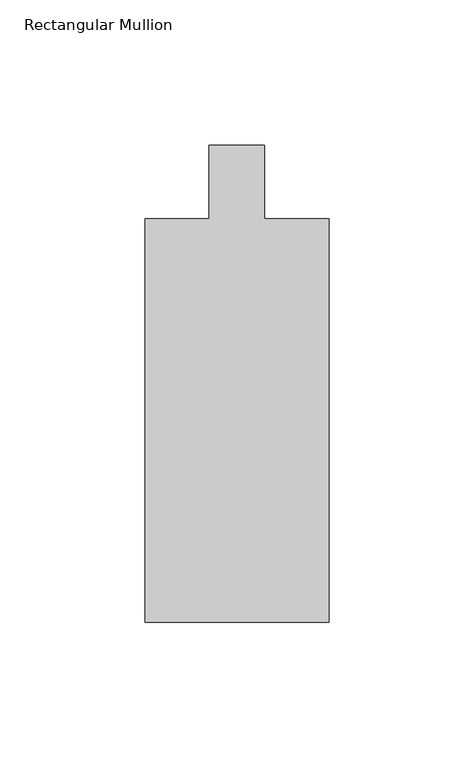
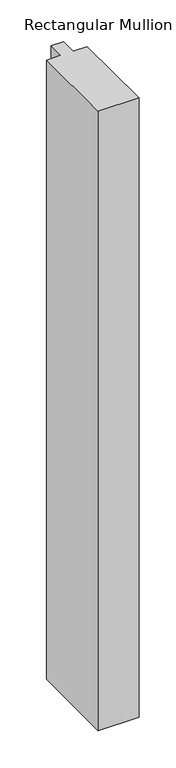
"""IFC4 building model written with IfcOpenShell, lengths in millimetres: member geometry, Rectangular Mullion."""

from ifc_helpers import new_model, si_unit, frame, origin, place, context, project, spatial, polyline, outline, extrude, source, transform, mapped, element, save


def rectangular_mullion_45de23ee(model_context):
    return source(origin(), model_context, "Body", "SweptSolid", [
        extrude(outline(polyline([(31.7500214, -12.7126936), (31.7500061, -151.9039676), (-31.7486016, -151.9039606), (-31.7485862, -12.7107227), (-9.524418, -12.7107252), (-9.5244152, 12.7100972), (9.5255848, 12.7100951), (9.525582, -12.7126911), (31.7500214, -12.7126936)])), frame((0.0, 0.0, -1017.5045111), z_axis=(0.0, 0.0, 1.0), x_axis=(1.0, 0.0, 0.0)), (0.0, 0.0, 1.0), 1017.5045111),
    ])


if __name__ == "__main__":
    model = new_model("IFC4")
    model_context = context("Model", 3, world=origin())
    ifc_project = project(units=[si_unit("LENGTHUNIT", "METRE", prefix="MILLI")], contexts=[model_context])
    site = spatial("IfcSite", under=ifc_project)
    building = spatial("IfcBuilding", under=site)
    placement = place(None, origin())
    rectangular_mullion_shape = rectangular_mullion_45de23ee(model_context)
    element("IfcMember", 1, ObjectType="Rectangular Mullion", at=placement, inside=building, context=model_context, shape_type="MappedRepresentation", body=[
        mapped(rectangular_mullion_shape, transform((0.0, 0.0, 0.0), x_axis=(1.0, 0.0, 0.0), y_axis=(0.0, 1.0, 0.0), z_axis=(0.0, 0.0, 1.0))),
    ])
    save(model, "model.ifc")
